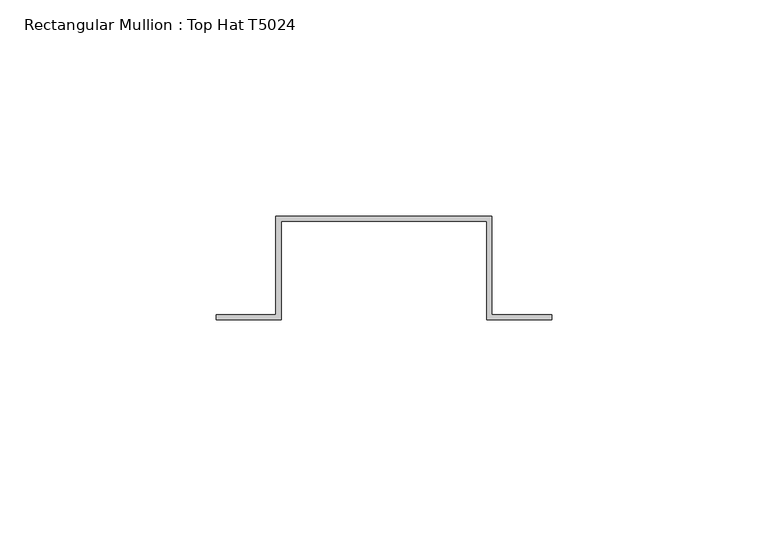
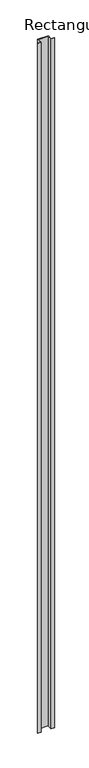
"""IFC4 building model written with IfcOpenShell, lengths in millimetres: member geometry, Rectangular Mullion : Top Hat T5024."""

from ifc_helpers import new_model, si_unit, frame, origin, place, context, project, spatial, polyline, outline, extrude, source, transform, mapped, element, save


def rectangular_mullion_top_hat_t5024_8e87a4a8(model_context):
    return source(origin(), model_context, "Body", "SweptSolid", [
        extrude(outline(polyline([(-23.8, -24.0), (-38.8, -24.0), (-38.8, -22.8), (-25.0, -22.8), (-25.0, 0.0), (25.0, 0.0), (25.0, -22.8), (38.85, -22.8), (38.85, -24.0), (23.85, -24.0), (23.85, -1.15), (-23.8, -1.15), (-23.8, -24.0)])), frame((0.0, 0.0, -3400.0), z_axis=(0.0, 0.0, 1.0), x_axis=(1.0, 0.0, 0.0)), (0.0, 0.0, 1.0), 3400.0),
    ])


if __name__ == "__main__":
    model = new_model("IFC4")
    model_context = context("Model", 3, world=origin())
    ifc_project = project(units=[si_unit("LENGTHUNIT", "METRE", prefix="MILLI")], contexts=[model_context])
    site = spatial("IfcSite", under=ifc_project)
    building = spatial("IfcBuilding", under=site)
    placement = place(None, origin())
    rectangular_mullion_top_hat_t5024_shape = rectangular_mullion_top_hat_t5024_8e87a4a8(model_context)
    element("IfcMember", 1, ObjectType="Rectangular Mullion : Top Hat T5024", at=placement, inside=building, context=model_context, shape_type="MappedRepresentation", body=[
        mapped(rectangular_mullion_top_hat_t5024_shape, transform((0.0, 0.0, 0.0), x_axis=(1.0, 0.0, 0.0), y_axis=(0.0, 1.0, 0.0), z_axis=(0.0, 0.0, 1.0))),
    ])
    save(model, "model.ifc")
